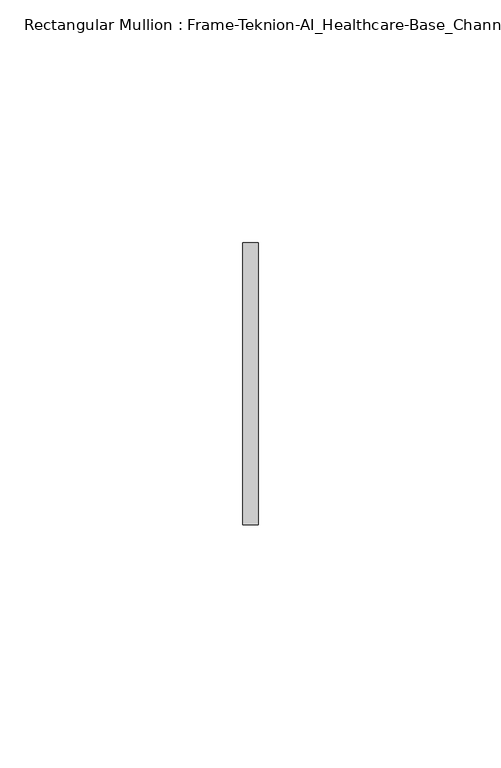
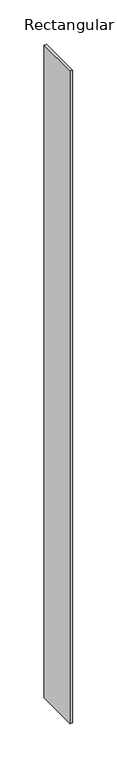
"""IFC4 building model written with IfcOpenShell, lengths in millimetres: member geometry, Rectangular Mullion : Frame-Teknion-AI_Healthcare-Base_Channel."""

from ifc_helpers import new_model, si_unit, frame, origin, place, context, project, spatial, polyline, outline, extrude, source, transform, mapped, element, save


def rectangular_mullion_frame_teknion_ai_healthcare_base_channel_0e67b1ac(model_context):
    return source(origin(), model_context, "Body", "SweptSolid", [
        extrude(outline(polyline([(0.0, 29.0214844), (0.0, -29.0214844), (-3.175, -29.0214844), (-3.175, 29.0214844), (0.0, 29.0214844)])), frame((0.0, 0.0, -896.8573348), z_axis=(0.0, 0.0, 1.0), x_axis=(1.0, 0.0, 0.0)), (0.0, 0.0, 1.0), 896.8573348),
    ])


if __name__ == "__main__":
    model = new_model("IFC4")
    model_context = context("Model", 3, world=origin())
    ifc_project = project(units=[si_unit("LENGTHUNIT", "METRE", prefix="MILLI")], contexts=[model_context])
    site = spatial("IfcSite", under=ifc_project)
    building = spatial("IfcBuilding", under=site)
    placement = place(None, origin())
    rectangular_mullion_frame_teknion_ai_healthcare_base_channel_shape = rectangular_mullion_frame_teknion_ai_healthcare_base_channel_0e67b1ac(model_context)
    element("IfcMember", 1, ObjectType="Rectangular Mullion : Frame-Teknion-AI_Healthcare-Base_Channel", at=placement, inside=building, context=model_context, shape_type="MappedRepresentation", body=[
        mapped(rectangular_mullion_frame_teknion_ai_healthcare_base_channel_shape, transform((0.0, 0.0, 0.0), x_axis=(1.0, 0.0, 0.0), y_axis=(0.0, 1.0, 0.0), z_axis=(0.0, 0.0, 1.0))),
    ])
    save(model, "model.ifc")
